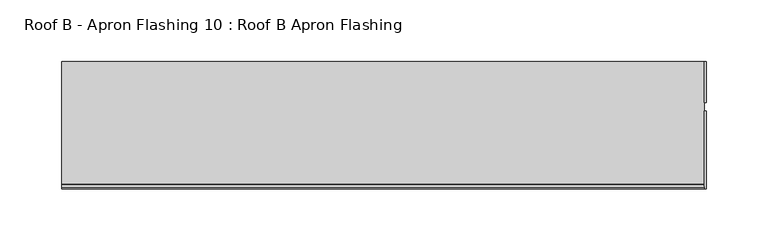
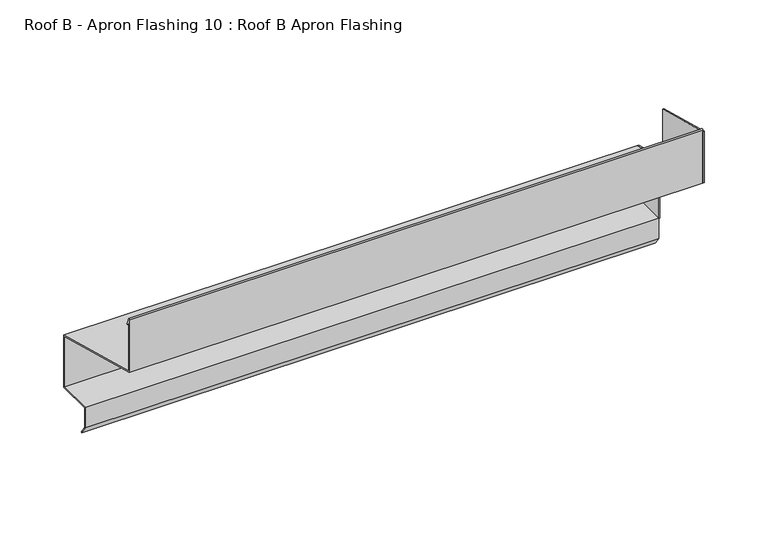
"""IFC4 building model written with IfcOpenShell, lengths in millimetres: proxy geometry, Roof B - Apron Flashing 10 : Roof B Apron Flashing."""

from ifc_helpers import new_model, si_unit, point, frame, frame_2d, origin, place, context, project, spatial, polyline, circle_curve, trimmed, segment, composite_curve, outline, extrude, source, transform, mapped, element, save


def roof_b_apron_flashing_10_roof_b_apron_flashing_c9c9762f(model_context):
    return source(origin(), model_context, "Body", "SweptSolid", [
        extrude(outline(polyline([(660.2773132, -392.0096237), (627.4023812, -392.0096237), (627.4023812, -333.2008122), (660.2773132, -342.0096237), (660.2773132, -392.0096237)])), frame((9686.0219031, 0.0, 0.0), z_axis=(1.0, 0.0, 0.0), x_axis=(0.0, 1.0, 0.0)), (0.0, 0.0, 1.0), 1.3240587),
        extrude(outline(polyline([(620.4882944, -283.1155152), (620.4882944, -332.3834644), (557.4043312, -315.4801674), (557.4043312, -266.2122183), (620.4882944, -283.1155152)])), frame((9686.0219031, 0.0, 0.0), z_axis=(1.0, 0.0, 0.0), x_axis=(0.0, 1.0, 0.0)), (0.0, 0.0, 1.0), 1.3240587),
        extrude(outline(composite_curve([segment(polyline([(660.2773132, -342.0096237), (660.2773132, -392.0096237), (627.6739483, -392.0096237), (627.6739483, -410.3959053), (632.884848, -417.8378413), (632.065696, -418.4114178), (626.6739483, -410.7112041), (626.6739483, -391.0096237), (659.2773132, -391.0096237), (659.2773132, -342.7769507), (557.4043312, -315.4801674), (557.4043312, -264.8977528)]), True, "CONTINUOUS"), segment(trimmed(circle_curve(frame_2d((558.0833754, -264.8977528)), 0.6790442), [point((557.4043312, -264.8977528))], [point((558.7129742, -264.6433784))], False, "CARTESIAN"), True, "CONTINUOUS"), segment(polyline([(558.7129742, -264.6433784), (561.1274291, -270.6193639)]), True, "CONTINUOUS"), segment(trimmed(circle_curve(frame_2d((560.6638371, -270.8066672)), 0.5), [point((561.1274291, -270.6193639))], [point((560.2002452, -270.9939705))], False, "CARTESIAN"), True, "CONTINUOUS"), segment(polyline([(560.2002452, -270.9939705), (558.4043312, -266.5489273), (558.4043312, -314.7128405), (660.2773132, -342.0096237)]), True, "CONTINUOUS")], self_intersect=False)), frame((9166.9913177, 0.0, 0.0), z_axis=(1.0, 0.0, 0.0), x_axis=(0.0, 1.0, 0.0)), (0.0, 0.0, 1.0), 519.0305854),
    ])


if __name__ == "__main__":
    model = new_model("IFC4")
    model_context = context("Model", 3, world=origin())
    ifc_project = project(units=[si_unit("LENGTHUNIT", "METRE", prefix="MILLI")], contexts=[model_context])
    site = spatial("IfcSite", under=ifc_project)
    building = spatial("IfcBuilding", under=site)
    placement = place(None, origin())
    roof_b_apron_flashing_10_roof_b_apron_flashing_shape = roof_b_apron_flashing_10_roof_b_apron_flashing_c9c9762f(model_context)
    element("IfcBuildingElementProxy", 1, Name="Roof B - Apron Flashing 10 : Roof B Apron Flashing", ObjectType="Roof B - Apron Flashing 10 : Roof B Apron Flashing", at=placement, inside=building, context=model_context, shape_type="MappedRepresentation", body=[
        mapped(roof_b_apron_flashing_10_roof_b_apron_flashing_shape, transform((0.0, 0.0, 0.0), x_axis=(1.0, 0.0, 0.0), y_axis=(0.0, 1.0, 0.0), z_axis=(0.0, 0.0, 1.0))),
    ])
    save(model, "model.ifc")
